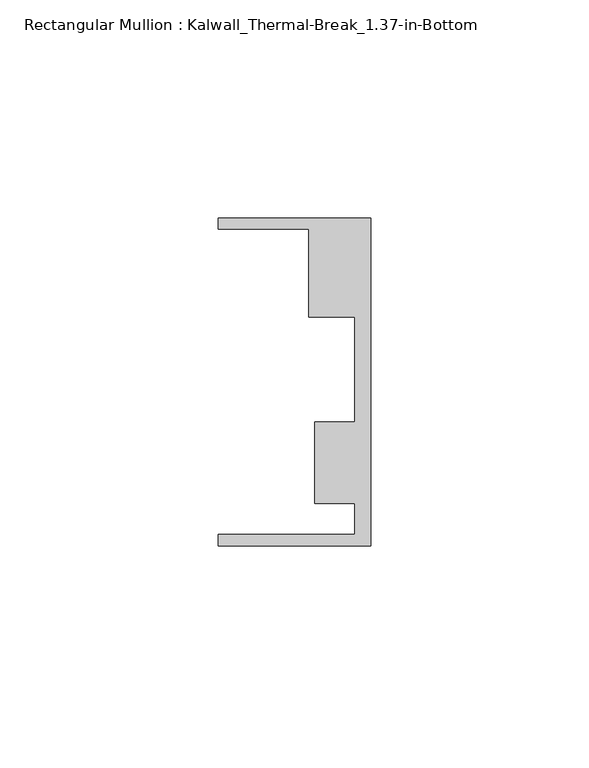
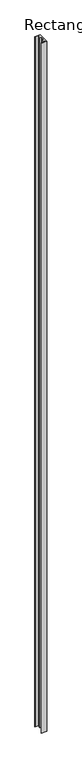
"""IFC4 building model written with IfcOpenShell, lengths in millimetres: member geometry, Rectangular Mullion : Kalwall_Thermal-Break_1.37-in-Bottom."""

from ifc_helpers import new_model, si_unit, frame, origin, place, context, project, spatial, polyline, outline, extrude, source, transform, mapped, element, save


def rectangular_mullion_kalwall_thermal_break_1_37_in_bottom_96f22b2d(model_context):
    return source(origin(), model_context, "Body", "SweptSolid", [
        extrude(outline(polyline([(0.0, -37.5776386), (-34.925, -37.5776386), (-34.925, -35.0376386), (-3.7084, -35.0376386), (-3.7084, -27.8888568), (-12.8272539, -27.8888568), (-12.8272539, -9.1879886), (-3.7084, -9.1879886), (-3.7084, 14.7812677), (-14.1882812, 14.7812677), (-14.1882812, 34.9623614), (-34.925, 34.9623614), (-34.925, 37.5023614), (0.0, 37.5023614), (0.0, -37.5776386)])), frame((0.0, 0.0, -4876.8), z_axis=(0.0, 0.0, 1.0), x_axis=(1.0, 0.0, 0.0)), (0.0, 0.0, 1.0), 4876.8),
    ])


if __name__ == "__main__":
    model = new_model("IFC4")
    model_context = context("Model", 3, world=origin())
    ifc_project = project(units=[si_unit("LENGTHUNIT", "METRE", prefix="MILLI")], contexts=[model_context])
    site = spatial("IfcSite", under=ifc_project)
    building = spatial("IfcBuilding", under=site)
    placement = place(None, origin())
    rectangular_mullion_kalwall_thermal_break_1_37_in_bottom_shape = rectangular_mullion_kalwall_thermal_break_1_37_in_bottom_96f22b2d(model_context)
    element("IfcMember", 1, ObjectType="Rectangular Mullion : Kalwall_Thermal-Break_1.37-in-Bottom", at=placement, inside=building, context=model_context, shape_type="MappedRepresentation", body=[
        mapped(rectangular_mullion_kalwall_thermal_break_1_37_in_bottom_shape, transform((0.0, 0.0, 0.0), x_axis=(1.0, 0.0, 0.0), y_axis=(0.0, 1.0, 0.0), z_axis=(0.0, 0.0, 1.0))),
    ])
    save(model, "model.ifc")
